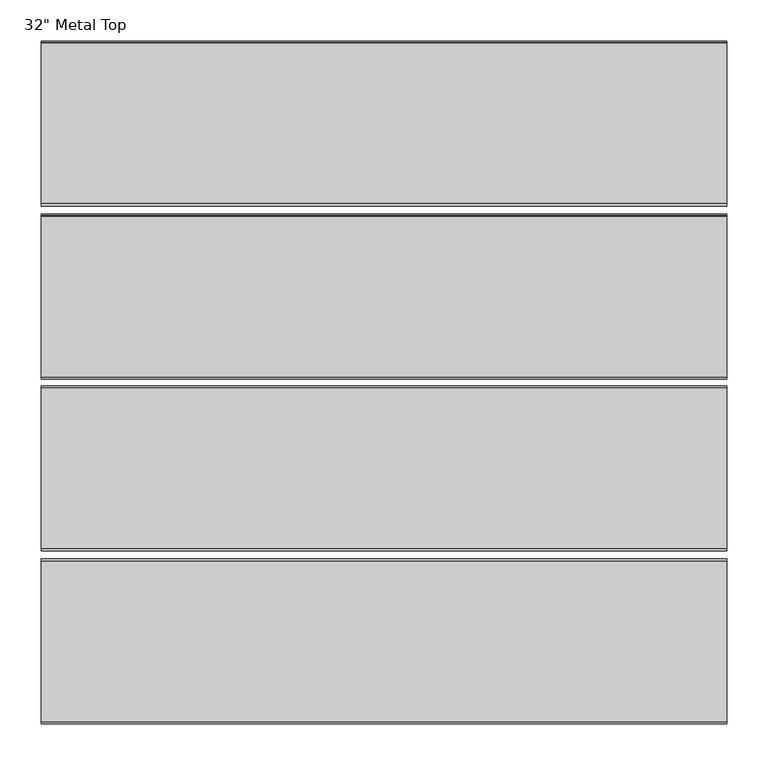
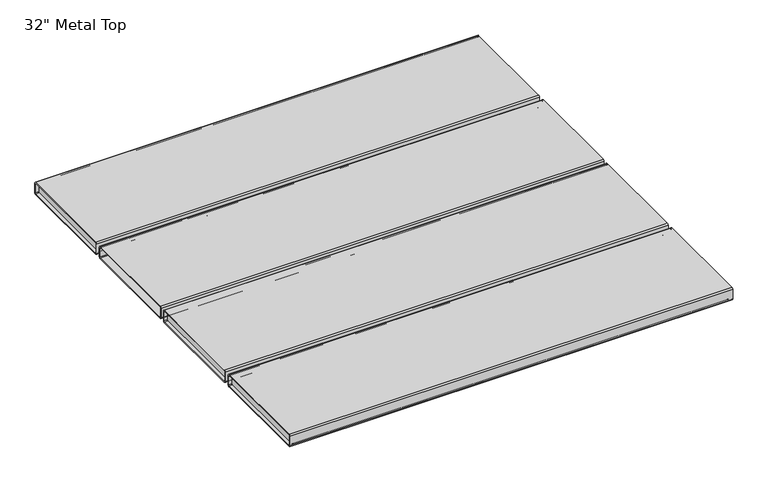
"""IFC4 building model written with IfcOpenShell, lengths in millimetres: furniture geometry."""

from ifc_helpers import new_model, si_unit, frame, origin, place, context, project, spatial, polyline, circle_curve, source, transform, mapped, element, save
from ifc_brep_helpers import plane_surface, cylinder_surface, revolved_surface, advanced_brep


def furniture_417f175c(model_context):
    return source(origin(), model_context, "Body", "AdvancedBrep", [
        advanced_brep(
        [(416.6856771, -411.5406702, 696.05), (416.6856771, -409.0406702, 693.55), (416.6856771, -214.0406702, 693.55), (416.6856771, -211.5406702, 696.05), (416.6856771, -211.5406702, 715.05), (416.6856771, -214.0406702, 717.55), (416.6856771, -409.0406702, 717.55), (416.6856771, -411.5406702, 715.05), (416.6856771, -408.0406702, 695.675), (416.6856771, -409.4156702, 697.05), (416.6856771, -409.4413385, 714.0607445), (416.6856771, -408.0406702, 715.425), (416.6856771, -215.0404873, 715.425), (416.6856771, -213.6656702, 714.05), (416.6856771, -213.6656702, 697.05), (416.6856771, -215.0404873, 695.675), (-415.1643229, -411.5406702, 696.05), (-415.1643229, -411.5406702, 715.05), (-415.1643229, -409.0406702, 717.55), (-415.1643229, -214.0406702, 717.55), (-415.1643229, -211.5406702, 715.05), (-415.1643229, -211.5406702, 696.05), (-415.1643229, -214.0406702, 693.55), (-415.1643229, -409.0406702, 693.55), (-415.1643229, -408.0514147, 695.6493317), (-415.1643229, -215.0404873, 695.675), (-415.1643229, -213.6656702, 697.05), (-415.1643229, -213.6400019, 714.0607445), (-415.1643229, -215.0404873, 715.425), (-415.1643229, -408.0514147, 715.4506683), (-415.1643229, -409.4156702, 714.05), (-415.1643229, -409.4156702, 697.05)],
        [
            (0, 1, circle_curve(frame((416.6856771, -409.0406702, 696.05), z_axis=(1.0, 0.0, 0.0), x_axis=(0.0, 1.0, 0.0)), 2.5)),
            (1, 2),
            (2, 3, circle_curve(frame((416.6856771, -214.0406702, 696.05), z_axis=(1.0, 0.0, 0.0), x_axis=(0.0, 1.0, 0.0)), 2.5)),
            (3, 4),
            (4, 5, circle_curve(frame((416.6856771, -214.0406702, 715.05), z_axis=(1.0, 0.0, 0.0), x_axis=(0.0, 1.0, 0.0)), 2.5)),
            (5, 6),
            (6, 7, circle_curve(frame((416.6856771, -409.0406702, 715.05), z_axis=(1.0, 0.0, 0.0), x_axis=(0.0, 1.0, 0.0)), 2.5)),
            (7, 0),
            (8, 9, circle_curve(frame((416.6856771, -408.0406702, 697.05), z_axis=(-1.0, 0.0, 0.0), x_axis=(0.0, 1.0, 0.0)), 1.375)),
            (9, 10),
            (10, 11, circle_curve(frame((416.6856771, -408.0406702, 714.05), z_axis=(-1.0, 0.0, 0.0), x_axis=(0.0, 1.0, 0.0)), 1.375)),
            (11, 12),
            (12, 13, circle_curve(frame((416.6856771, -215.0406702, 714.05), z_axis=(-1.0, 0.0, 0.0), x_axis=(0.0, 1.0, 0.0)), 1.375)),
            (13, 14),
            (14, 15, circle_curve(frame((416.6856771, -215.0406702, 697.05), z_axis=(-1.0, 0.0, 0.0), x_axis=(0.0, 1.0, 0.0)), 1.375)),
            (15, 8),
            (16, 17),
            (17, 18, circle_curve(frame((-415.1643229, -409.0406702, 715.05), z_axis=(-1.0, 0.0, 0.0), x_axis=(0.0, 1.0, 0.0)), 2.5)),
            (18, 19),
            (19, 20, circle_curve(frame((-415.1643229, -214.0406702, 715.05), z_axis=(-1.0, 0.0, 0.0), x_axis=(0.0, 1.0, 0.0)), 2.5)),
            (20, 21),
            (21, 22, circle_curve(frame((-415.1643229, -214.0406702, 696.05), z_axis=(-1.0, 0.0, 0.0), x_axis=(0.0, 1.0, 0.0)), 2.5)),
            (22, 23),
            (23, 16, circle_curve(frame((-415.1643229, -409.0406702, 696.05), z_axis=(-1.0, 0.0, 0.0), x_axis=(0.0, 1.0, 0.0)), 2.5)),
            (24, 25),
            (25, 26, circle_curve(frame((-415.1643229, -215.0406702, 697.05), z_axis=(1.0, 0.0, 0.0), x_axis=(0.0, 1.0, 0.0)), 1.375)),
            (26, 27),
            (27, 28, circle_curve(frame((-415.1643229, -215.0406702, 714.05), z_axis=(1.0, 0.0, 0.0), x_axis=(0.0, 1.0, 0.0)), 1.375)),
            (28, 29),
            (29, 30, circle_curve(frame((-415.1643229, -408.0406702, 714.05), z_axis=(1.0, 0.0, 0.0), x_axis=(0.0, 1.0, 0.0)), 1.375)),
            (30, 31),
            (31, 24, circle_curve(frame((-415.1643229, -408.0406702, 697.05), z_axis=(1.0, 0.0, 0.0), x_axis=(0.0, 1.0, 0.0)), 1.375)),
            (0, 16),
            (23, 1),
            (22, 2),
            (21, 3),
            (20, 4),
            (19, 5),
            (18, 6),
            (17, 7),
            (8, 24),
            (31, 9),
            (30, 10),
            (29, 11),
            (28, 12),
            (27, 13),
            (26, 14),
            (25, 15),
        ],
        [
            plane_surface(frame((416.6856771, -406.5406702, 696.05), z_axis=(1.0, 0.0, 0.0), x_axis=(0.0, 0.0, 1.0))),
            plane_surface(frame((-415.1643229, -406.5406702, 696.05), z_axis=(-1.0, 0.0, 0.0), x_axis=(0.0, 0.0, -1.0))),
            cylinder_surface(frame((-415.1643229, -409.0406702, 696.05), z_axis=(1.0, 0.0, 0.0), x_axis=(0.0, 1.0, 0.0)), 2.5),
            plane_surface(frame((416.6856771, -409.0406702, 693.55), z_axis=(0.0, 0.0, -1.0), x_axis=(-1.0, 0.0, 0.0))),
            cylinder_surface(frame((-415.1643229, -214.0406702, 696.05), z_axis=(1.0, 0.0, 0.0), x_axis=(0.0, 1.0, 0.0)), 2.5),
            plane_surface(frame((416.6856771, -211.5406702, 696.05), z_axis=(0.0, 1.0, 0.0), x_axis=(-1.0, 0.0, 0.0))),
            cylinder_surface(frame((-415.1643229, -214.0406702, 715.05), z_axis=(1.0, 0.0, 0.0), x_axis=(0.0, 1.0, 0.0)), 2.5),
            plane_surface(frame((416.6856771, -214.0406702, 717.55), z_axis=(0.0, 5.2088685501275944e-11, 1.0), x_axis=(-1.0, 0.0, 0.0))),
            cylinder_surface(frame((-415.1643229, -409.0406702, 715.05), z_axis=(1.0, 0.0, 0.0), x_axis=(0.0, 1.0, 0.0)), 2.5),
            plane_surface(frame((416.6856771, -411.5406702, 715.05), z_axis=(0.0, -1.0, 0.0), x_axis=(-1.0, 0.0, 0.0))),
            revolved_surface(polyline([(-415.1643229, -406.6656702, 697.05), (416.6856771, -406.6656702, 697.05)]), (0.7606771, -408.0406702, 697.05), (-1.0, 0.0, 0.0)),
            plane_surface(frame((416.6856771, -409.4156702, 697.05), z_axis=(0.0, 0.999998861542908, 0.0015089442958824899), x_axis=(-1.0, 0.0, 0.0))),
            revolved_surface(polyline([(-415.1643229, -406.6656702, 714.05), (416.6856771, -406.6656702, 714.05)]), (0.7606771, -408.0406702, 714.05), (-1.0, 0.0, 0.0)),
            plane_surface(frame((416.6856771, -408.0514147, 715.4506683), z_axis=(0.0, -0.0001329889956081423, -0.9999999911569635), x_axis=(-1.0, 0.0, 0.0))),
            revolved_surface(polyline([(-415.1643229, -213.6656702, 714.05), (416.6856771, -213.6656702, 714.05)]), (0.7606771, -215.0406702, 714.05), (-1.0, 0.0, 0.0)),
            plane_surface(frame((416.6856771, -213.6400019, 714.0607445), z_axis=(0.0, -0.999998861542908, 0.0015089442958825035), x_axis=(-1.0, 0.0, 0.0))),
            revolved_surface(polyline([(-415.1643229, -213.6656702, 697.05), (416.6856771, -213.6656702, 697.05)]), (0.7606771, -215.0406702, 697.05), (-1.0, 0.0, 0.0)),
            plane_surface(frame((416.6856771, -215.0404873, 695.675), z_axis=(0.0, -0.0001329888799738041, 0.9999999911569789), x_axis=(-1.0, 0.0, 0.0))),
        ],
        [
            (0, [[1, 2, 3, 4, 5, 6, 7, 8], [9, 10, 11, 12, 13, 14, 15, 16]]),
            (1, [[17, 18, 19, 20, 21, 22, 23, 24], [25, 26, 27, 28, 29, 30, 31, 32]]),
            (2, [[-1, 33, -24, 34]]),
            (3, [[-2, -34, -23, 35]]),
            (4, [[-3, -35, -22, 36]]),
            (5, [[-4, -36, -21, 37]]),
            (6, [[-5, -37, -20, 38]]),
            (7, [[-6, -38, -19, 39]]),
            (8, [[-7, -39, -18, 40]]),
            (9, [[-8, -40, -17, -33]]),
            (10, [[-9, 41, -32, 42]]),
            (11, [[-10, -42, -31, 43]]),
            (12, [[-11, -43, -30, 44]]),
            (13, [[-12, -44, -29, 45]]),
            (14, [[-13, -45, -28, 46]]),
            (15, [[-14, -46, -27, 47]]),
            (16, [[-15, -47, -26, 48]]),
            (17, [[-16, -48, -25, -41]]),
        ],
    ),
        advanced_brep(
        [(410.3356771, -422.4343298, 714.05), (410.3356771, -423.8093298, 715.425), (410.3356771, -616.8095127, 715.425), (410.3356771, -618.1843298, 714.05), (410.3356771, -618.1843298, 697.05), (410.3356771, -616.8095127, 695.675), (410.3356771, -423.7985853, 695.6493317), (410.3356771, -422.4343298, 697.05), (-408.8143229, -422.4086615, 714.0607445), (-408.8143229, -422.4343298, 697.05), (-408.8143229, -423.8093298, 695.675), (-408.8143229, -616.8095127, 695.675), (-408.8143229, -618.1843298, 697.05), (-408.8143229, -618.2099981, 714.0607445), (-408.8143229, -616.8095127, 715.425), (-408.8143229, -423.7985853, 715.4506683)],
        [
            (0, 1, circle_curve(frame((410.3356771, -423.8093298, 714.05), z_axis=(1.0, 0.0, 0.0), x_axis=(0.0, -1.0, 0.0)), 1.375)),
            (1, 2),
            (2, 3, circle_curve(frame((410.3356771, -616.8093298, 714.05), z_axis=(1.0, 0.0, 0.0), x_axis=(0.0, -1.0, 0.0)), 1.375)),
            (3, 4),
            (4, 5, circle_curve(frame((410.3356771, -616.8093298, 697.05), z_axis=(1.0, 0.0, 0.0), x_axis=(0.0, -1.0, 0.0)), 1.375)),
            (5, 6),
            (6, 7, circle_curve(frame((410.3356771, -423.8093298, 697.05), z_axis=(1.0, 0.0, 0.0), x_axis=(0.0, -1.0, 0.0)), 1.375)),
            (7, 0),
            (8, 9),
            (9, 10, circle_curve(frame((-408.8143229, -423.8093298, 697.05), z_axis=(-1.0, 0.0, 0.0), x_axis=(0.0, -1.0, 0.0)), 1.375)),
            (10, 11),
            (11, 12, circle_curve(frame((-408.8143229, -616.8093298, 697.05), z_axis=(-1.0, 0.0, 0.0), x_axis=(0.0, -1.0, 0.0)), 1.375)),
            (12, 13),
            (13, 14, circle_curve(frame((-408.8143229, -616.8093298, 714.05), z_axis=(-1.0, 0.0, 0.0), x_axis=(0.0, -1.0, 0.0)), 1.375)),
            (14, 15),
            (15, 8, circle_curve(frame((-408.8143229, -423.8093298, 714.05), z_axis=(-1.0, 0.0, 0.0), x_axis=(0.0, -1.0, 0.0)), 1.375)),
            (7, 9),
            (8, 0),
            (6, 10),
            (5, 11),
            (4, 12),
            (3, 13),
            (2, 14),
            (1, 15),
        ],
        [
            plane_surface(frame((410.3356771, -425.1843298, 714.05), z_axis=(1.0, 0.0, 0.0), x_axis=(0.0, 0.0, -1.0))),
            plane_surface(frame((-408.8143229, -425.1843298, 714.05), z_axis=(-1.0, 0.0, 0.0), x_axis=(0.0, 0.0, 1.0))),
            plane_surface(frame((410.3356771, -422.4343298, 697.05), z_axis=(0.0, 0.999998861542908, -0.0015089442958824658), x_axis=(-1.0, 0.0, 0.0))),
            cylinder_surface(frame((-408.8143229, -423.8093298, 697.05), z_axis=(1.0, 0.0, 0.0), x_axis=(0.0, -1.0, 0.0)), 1.375),
            plane_surface(frame((410.3356771, -616.8095127, 695.675), z_axis=(0.0, -0.00013298887997386375, -0.9999999911569789), x_axis=(-1.0, 0.0, 0.0))),
            cylinder_surface(frame((-408.8143229, -616.8093298, 697.05), z_axis=(1.0, 0.0, 0.0), x_axis=(0.0, -1.0, 0.0)), 1.375),
            plane_surface(frame((410.3356771, -618.2099981, 714.0607445), z_axis=(0.0, -0.999998861542908, -0.0015089442958825018), x_axis=(-1.0, 0.0, 0.0))),
            cylinder_surface(frame((-408.8143229, -616.8093298, 714.05), z_axis=(1.0, 0.0, 0.0), x_axis=(0.0, -1.0, 0.0)), 1.375),
            plane_surface(frame((410.3356771, -423.7985853, 715.4506683), z_axis=(0.0, -0.00013298899560815783, 0.9999999911569636), x_axis=(-1.0, 0.0, 0.0))),
            cylinder_surface(frame((-408.8143229, -423.8093298, 714.05), z_axis=(1.0, 0.0, 0.0), x_axis=(0.0, -1.0, 0.0)), 1.375),
        ],
        [
            (0, [[1, 2, 3, 4, 5, 6, 7, 8]]),
            (1, [[9, 10, 11, 12, 13, 14, 15, 16]]),
            (2, [[-8, 17, -9, 18]]),
            (3, [[-7, 19, -10, -17]]),
            (4, [[-6, 20, -11, -19]]),
            (5, [[-5, 21, -12, -20]]),
            (6, [[-4, 22, -13, -21]]),
            (7, [[-3, 23, -14, -22]]),
            (8, [[-2, 24, -15, -23]]),
            (9, [[-1, -18, -16, -24]]),
        ],
    ),
        advanced_brep(
        [(416.6856771, -420.3093298, 696.05), (416.6856771, -420.3093298, 715.05), (416.6856771, -422.8093298, 717.55), (416.6856771, -617.8093298, 717.55), (416.6856771, -620.3093298, 715.05), (416.6856771, -620.3093298, 696.05), (416.6856771, -617.8093298, 693.55), (416.6856771, -422.8093298, 693.55), (416.6856771, -423.7985853, 695.6493317), (416.6856771, -616.8095127, 695.675), (416.6856771, -618.1843298, 697.05), (416.6856771, -618.2099981, 714.0607445), (416.6856771, -616.8095127, 715.425), (416.6856771, -423.7985853, 715.4506683), (416.6856771, -422.4343298, 714.05), (416.6856771, -422.4343298, 697.05), (-415.1643229, -420.3093298, 696.05), (-415.1643229, -422.8093298, 693.55), (-415.1643229, -617.8093298, 693.55), (-415.1643229, -620.3093298, 696.05), (-415.1643229, -620.3093298, 715.05), (-415.1643229, -617.8093298, 717.55), (-415.1643229, -422.8093298, 717.55), (-415.1643229, -420.3093298, 715.05), (-415.1643229, -423.8093298, 695.675), (-415.1643229, -422.4343298, 697.05), (-415.1643229, -422.4086615, 714.0607445), (-415.1643229, -423.8093298, 715.425), (-415.1643229, -616.8095127, 715.425), (-415.1643229, -618.1843298, 714.05), (-415.1643229, -618.1843298, 697.05), (-415.1643229, -616.8095127, 695.675)],
        [
            (0, 1),
            (1, 2, circle_curve(frame((416.6856771, -422.8093298, 715.05), z_axis=(1.0, 0.0, 0.0), x_axis=(0.0, -1.0, 0.0)), 2.5)),
            (2, 3),
            (3, 4, circle_curve(frame((416.6856771, -617.8093298, 715.05), z_axis=(1.0, 0.0, 0.0), x_axis=(0.0, -1.0, 0.0)), 2.5)),
            (4, 5),
            (5, 6, circle_curve(frame((416.6856771, -617.8093298, 696.05), z_axis=(1.0, 0.0, 0.0), x_axis=(0.0, -1.0, 0.0)), 2.5)),
            (6, 7),
            (7, 0, circle_curve(frame((416.6856771, -422.8093298, 696.05), z_axis=(1.0, 0.0, 0.0), x_axis=(0.0, -1.0, 0.0)), 2.5)),
            (8, 9),
            (9, 10, circle_curve(frame((416.6856771, -616.8093298, 697.05), z_axis=(-1.0, 0.0, 0.0), x_axis=(0.0, -1.0, 0.0)), 1.375)),
            (10, 11),
            (11, 12, circle_curve(frame((416.6856771, -616.8093298, 714.05), z_axis=(-1.0, 0.0, 0.0), x_axis=(0.0, -1.0, 0.0)), 1.375)),
            (12, 13),
            (13, 14, circle_curve(frame((416.6856771, -423.8093298, 714.05), z_axis=(-1.0, 0.0, 0.0), x_axis=(0.0, -1.0, 0.0)), 1.375)),
            (14, 15),
            (15, 8, circle_curve(frame((416.6856771, -423.8093298, 697.05), z_axis=(-1.0, 0.0, 0.0), x_axis=(0.0, -1.0, 0.0)), 1.375)),
            (16, 17, circle_curve(frame((-415.1643229, -422.8093298, 696.05), z_axis=(-1.0, 0.0, 0.0), x_axis=(0.0, -1.0, 0.0)), 2.5)),
            (17, 18),
            (18, 19, circle_curve(frame((-415.1643229, -617.8093298, 696.05), z_axis=(-1.0, 0.0, 0.0), x_axis=(0.0, -1.0, 0.0)), 2.5)),
            (19, 20),
            (20, 21, circle_curve(frame((-415.1643229, -617.8093298, 715.05), z_axis=(-1.0, 0.0, 0.0), x_axis=(0.0, -1.0, 0.0)), 2.5)),
            (21, 22),
            (22, 23, circle_curve(frame((-415.1643229, -422.8093298, 715.05), z_axis=(-1.0, 0.0, 0.0), x_axis=(0.0, -1.0, 0.0)), 2.5)),
            (23, 16),
            (24, 25, circle_curve(frame((-415.1643229, -423.8093298, 697.05), z_axis=(1.0, 0.0, 0.0), x_axis=(0.0, -1.0, 0.0)), 1.375)),
            (25, 26),
            (26, 27, circle_curve(frame((-415.1643229, -423.8093298, 714.05), z_axis=(1.0, 0.0, 0.0), x_axis=(0.0, -1.0, 0.0)), 1.375)),
            (27, 28),
            (28, 29, circle_curve(frame((-415.1643229, -616.8093298, 714.05), z_axis=(1.0, 0.0, 0.0), x_axis=(0.0, -1.0, 0.0)), 1.375)),
            (29, 30),
            (30, 31, circle_curve(frame((-415.1643229, -616.8093298, 697.05), z_axis=(1.0, 0.0, 0.0), x_axis=(0.0, -1.0, 0.0)), 1.375)),
            (31, 24),
            (7, 17),
            (16, 0),
            (6, 18),
            (5, 19),
            (4, 20),
            (3, 21),
            (2, 22),
            (1, 23),
            (15, 25),
            (24, 8),
            (14, 26),
            (13, 27),
            (12, 28),
            (11, 29),
            (10, 30),
            (9, 31),
        ],
        [
            plane_surface(frame((416.6856771, -420.3093298, 715.05), z_axis=(1.0, 0.0, 0.0), x_axis=(0.0, 0.0, 1.0))),
            plane_surface(frame((-415.1643229, -420.3093298, 715.05), z_axis=(-1.0, 0.0, 0.0), x_axis=(0.0, 0.0, -1.0))),
            cylinder_surface(frame((-415.1643229, -422.8093298, 696.05), z_axis=(1.0, 0.0, 0.0), x_axis=(0.0, -1.0, 0.0)), 2.5),
            plane_surface(frame((416.6856771, -617.8093298, 693.55), z_axis=(0.0, 0.0, -1.0), x_axis=(-1.0, 0.0, 0.0))),
            cylinder_surface(frame((-415.1643229, -617.8093298, 696.05), z_axis=(1.0, 0.0, 0.0), x_axis=(0.0, -1.0, 0.0)), 2.5),
            plane_surface(frame((416.6856771, -620.3093298, 715.05), z_axis=(0.0, -1.0, 0.0), x_axis=(-1.0, 0.0, 0.0))),
            cylinder_surface(frame((-415.1643229, -617.8093298, 715.05), z_axis=(1.0, 0.0, 0.0), x_axis=(0.0, -1.0, 0.0)), 2.5),
            plane_surface(frame((416.6856771, -422.8093298, 717.55), z_axis=(0.0, -5.2088685501275944e-11, 1.0), x_axis=(-1.0, 0.0, 0.0))),
            cylinder_surface(frame((-415.1643229, -422.8093298, 715.05), z_axis=(1.0, 0.0, 0.0), x_axis=(0.0, -1.0, 0.0)), 2.5),
            plane_surface(frame((416.6856771, -420.3093298, 696.05), z_axis=(0.0, 1.0, 0.0), x_axis=(-1.0, 0.0, 0.0))),
            revolved_surface(polyline([(-415.1643229, -425.1843298, 697.05), (416.6856771, -425.1843298, 697.05)]), (0.7606771, -423.8093298, 697.05), (-1.0, 0.0, 0.0)),
            plane_surface(frame((416.6856771, -422.4086615, 714.0607445), z_axis=(0.0, -0.999998861542908, 0.0015089442958824899), x_axis=(-1.0, 0.0, 0.0))),
            revolved_surface(polyline([(-415.1643229, -425.1843298, 714.05), (416.6856771, -425.1843298, 714.05)]), (0.7606771, -423.8093298, 714.05), (-1.0, 0.0, 0.0)),
            plane_surface(frame((416.6856771, -616.8095127, 715.425), z_axis=(0.0, 0.0001329889956081423, -0.9999999911569635), x_axis=(-1.0, 0.0, 0.0))),
            revolved_surface(polyline([(-415.1643229, -618.1843298, 714.05), (416.6856771, -618.1843298, 714.05)]), (0.7606771, -616.8093298, 714.05), (-1.0, 0.0, 0.0)),
            plane_surface(frame((416.6856771, -618.1843298, 697.05), z_axis=(0.0, 0.999998861542908, 0.0015089442958825035), x_axis=(-1.0, 0.0, 0.0))),
            revolved_surface(polyline([(-415.1643229, -618.1843298, 697.05), (416.6856771, -618.1843298, 697.05)]), (0.7606771, -616.8093298, 697.05), (-1.0, 0.0, 0.0)),
            plane_surface(frame((416.6856771, -423.7985853, 695.6493317), z_axis=(0.0, 0.00013298887997380406, 0.9999999911569789), x_axis=(-1.0, 0.0, 0.0))),
        ],
        [
            (0, [[1, 2, 3, 4, 5, 6, 7, 8], [9, 10, 11, 12, 13, 14, 15, 16]]),
            (1, [[17, 18, 19, 20, 21, 22, 23, 24], [25, 26, 27, 28, 29, 30, 31, 32]]),
            (2, [[-8, 33, -17, 34]]),
            (3, [[-7, 35, -18, -33]]),
            (4, [[-6, 36, -19, -35]]),
            (5, [[-5, 37, -20, -36]]),
            (6, [[-4, 38, -21, -37]]),
            (7, [[-3, 39, -22, -38]]),
            (8, [[-2, 40, -23, -39]]),
            (9, [[-1, -34, -24, -40]]),
            (10, [[-16, 41, -25, 42]]),
            (11, [[-15, 43, -26, -41]]),
            (12, [[-14, 44, -27, -43]]),
            (13, [[-13, 45, -28, -44]]),
            (14, [[-12, 46, -29, -45]]),
            (15, [[-11, 47, -30, -46]]),
            (16, [[-10, 48, -31, -47]]),
            (17, [[-9, -42, -32, -48]]),
        ],
    ),
        advanced_brep(
        [(410.3356771, -3.7125, 714.05), (410.3356771, -5.0875, 715.425), (410.3356771, -198.0876829, 715.425), (410.3356771, -199.4625, 714.05), (410.3356771, -199.4625, 697.05), (410.3356771, -198.0876829, 695.675), (410.3356771, -5.0767555, 695.6493317), (410.3356771, -3.7125, 697.05), (-408.8143229, -3.6868317, 714.0607445), (-408.8143229, -3.7125, 697.05), (-408.8143229, -5.0875, 695.675), (-408.8143229, -198.0876829, 695.675), (-408.8143229, -199.4625, 697.05), (-408.8143229, -199.4881683, 714.0607445), (-408.8143229, -198.0876829, 715.425), (-408.8143229, -5.0767555, 715.4506683)],
        [
            (0, 1, circle_curve(frame((410.3356771, -5.0875, 714.05), z_axis=(1.0, 0.0, 0.0), x_axis=(0.0, -1.0, 0.0)), 1.375)),
            (1, 2),
            (2, 3, circle_curve(frame((410.3356771, -198.0875, 714.05), z_axis=(1.0, 0.0, 0.0), x_axis=(0.0, -1.0, 0.0)), 1.375)),
            (3, 4),
            (4, 5, circle_curve(frame((410.3356771, -198.0875, 697.05), z_axis=(1.0, 0.0, 0.0), x_axis=(0.0, -1.0, 0.0)), 1.375)),
            (5, 6),
            (6, 7, circle_curve(frame((410.3356771, -5.0875, 697.05), z_axis=(1.0, 0.0, 0.0), x_axis=(0.0, -1.0, 0.0)), 1.375)),
            (7, 0),
            (8, 9),
            (9, 10, circle_curve(frame((-408.8143229, -5.0875, 697.05), z_axis=(-1.0, 0.0, 0.0), x_axis=(0.0, -1.0, 0.0)), 1.375)),
            (10, 11),
            (11, 12, circle_curve(frame((-408.8143229, -198.0875, 697.05), z_axis=(-1.0, 0.0, 0.0), x_axis=(0.0, -1.0, 0.0)), 1.375)),
            (12, 13),
            (13, 14, circle_curve(frame((-408.8143229, -198.0875, 714.05), z_axis=(-1.0, 0.0, 0.0), x_axis=(0.0, -1.0, 0.0)), 1.375)),
            (14, 15),
            (15, 8, circle_curve(frame((-408.8143229, -5.0875, 714.05), z_axis=(-1.0, 0.0, 0.0), x_axis=(0.0, -1.0, 0.0)), 1.375)),
            (7, 9),
            (8, 0),
            (6, 10),
            (5, 11),
            (4, 12),
            (3, 13),
            (2, 14),
            (1, 15),
        ],
        [
            plane_surface(frame((410.3356771, -6.4625, 714.05), z_axis=(1.0, 0.0, 0.0), x_axis=(0.0, 0.0, -1.0))),
            plane_surface(frame((-408.8143229, -6.4625, 714.05), z_axis=(-1.0, 0.0, 0.0), x_axis=(0.0, 0.0, 1.0))),
            plane_surface(frame((410.3356771, -3.7125, 697.05), z_axis=(0.0, 0.999998861542908, -0.0015089442958824658), x_axis=(-1.0, 0.0, 0.0))),
            cylinder_surface(frame((-408.8143229, -5.0875, 697.05), z_axis=(1.0, 0.0, 0.0), x_axis=(0.0, -1.0, 0.0)), 1.375),
            plane_surface(frame((410.3356771, -198.0876829, 695.675), z_axis=(0.0, -0.00013298887997386372, -0.9999999911569789), x_axis=(-1.0, 0.0, 0.0))),
            cylinder_surface(frame((-408.8143229, -198.0875, 697.05), z_axis=(1.0, 0.0, 0.0), x_axis=(0.0, -1.0, 0.0)), 1.375),
            plane_surface(frame((410.3356771, -199.4881683, 714.0607445), z_axis=(0.0, -0.999998861542908, -0.0015089442958825018), x_axis=(-1.0, 0.0, 0.0))),
            cylinder_surface(frame((-408.8143229, -198.0875, 714.05), z_axis=(1.0, 0.0, 0.0), x_axis=(0.0, -1.0, 0.0)), 1.375),
            plane_surface(frame((410.3356771, -5.0767555, 715.4506683), z_axis=(0.0, -0.00013298899560815783, 0.9999999911569636), x_axis=(-1.0, 0.0, 0.0))),
            cylinder_surface(frame((-408.8143229, -5.0875, 714.05), z_axis=(1.0, 0.0, 0.0), x_axis=(0.0, -1.0, 0.0)), 1.375),
        ],
        [
            (0, [[1, 2, 3, 4, 5, 6, 7, 8]]),
            (1, [[9, 10, 11, 12, 13, 14, 15, 16]]),
            (2, [[-8, 17, -9, 18]]),
            (3, [[-7, 19, -10, -17]]),
            (4, [[-6, 20, -11, -19]]),
            (5, [[-5, 21, -12, -20]]),
            (6, [[-4, 22, -13, -21]]),
            (7, [[-3, 23, -14, -22]]),
            (8, [[-2, 24, -15, -23]]),
            (9, [[-1, -18, -16, -24]]),
        ],
    ),
        advanced_brep(
        [(416.6856771, -1.5875, 696.05), (416.6856771, -1.5875, 715.05), (416.6856771, -4.0875, 717.55), (416.6856771, -199.0875, 717.55), (416.6856771, -201.5875, 715.05), (416.6856771, -201.5875, 696.05), (416.6856771, -199.0875, 693.55), (416.6856771, -4.0875, 693.55), (416.6856771, -5.0767555, 695.6493317), (416.6856771, -198.0876829, 695.675), (416.6856771, -199.4625, 697.05), (416.6856771, -199.4881683, 714.0607445), (416.6856771, -198.0876829, 715.425), (416.6856771, -5.0767555, 715.4506683), (416.6856771, -3.7125, 714.05), (416.6856771, -3.7125, 697.05), (-415.1643229, -1.5875, 696.05), (-415.1643229, -4.0875, 693.55), (-415.1643229, -199.0875, 693.55), (-415.1643229, -201.5875, 696.05), (-415.1643229, -201.5875, 715.05), (-415.1643229, -199.0875, 717.55), (-415.1643229, -4.0875, 717.55), (-415.1643229, -1.5875, 715.05), (-415.1643229, -5.0875, 695.675), (-415.1643229, -3.7125, 697.05), (-415.1643229, -3.6868317, 714.0607445), (-415.1643229, -5.0875, 715.425), (-415.1643229, -198.0876829, 715.425), (-415.1643229, -199.4625, 714.05), (-415.1643229, -199.4625, 697.05), (-415.1643229, -198.0876829, 695.675)],
        [
            (0, 1),
            (1, 2, circle_curve(frame((416.6856771, -4.0875, 715.05), z_axis=(1.0, 0.0, 0.0), x_axis=(0.0, -1.0, 0.0)), 2.5)),
            (2, 3),
            (3, 4, circle_curve(frame((416.6856771, -199.0875, 715.05), z_axis=(1.0, 0.0, 0.0), x_axis=(0.0, -1.0, 0.0)), 2.5)),
            (4, 5),
            (5, 6, circle_curve(frame((416.6856771, -199.0875, 696.05), z_axis=(1.0, 0.0, 0.0), x_axis=(0.0, -1.0, 0.0)), 2.5)),
            (6, 7),
            (7, 0, circle_curve(frame((416.6856771, -4.0875, 696.05), z_axis=(1.0, 0.0, 0.0), x_axis=(0.0, -1.0, 0.0)), 2.5)),
            (8, 9),
            (9, 10, circle_curve(frame((416.6856771, -198.0875, 697.05), z_axis=(-1.0, 0.0, 0.0), x_axis=(0.0, -1.0, 0.0)), 1.375)),
            (10, 11),
            (11, 12, circle_curve(frame((416.6856771, -198.0875, 714.05), z_axis=(-1.0, 0.0, 0.0), x_axis=(0.0, -1.0, 0.0)), 1.375)),
            (12, 13),
            (13, 14, circle_curve(frame((416.6856771, -5.0875, 714.05), z_axis=(-1.0, 0.0, 0.0), x_axis=(0.0, -1.0, 0.0)), 1.375)),
            (14, 15),
            (15, 8, circle_curve(frame((416.6856771, -5.0875, 697.05), z_axis=(-1.0, 0.0, 0.0), x_axis=(0.0, -1.0, 0.0)), 1.375)),
            (16, 17, circle_curve(frame((-415.1643229, -4.0875, 696.05), z_axis=(-1.0, 0.0, 0.0), x_axis=(0.0, -1.0, 0.0)), 2.5)),
            (17, 18),
            (18, 19, circle_curve(frame((-415.1643229, -199.0875, 696.05), z_axis=(-1.0, 0.0, 0.0), x_axis=(0.0, -1.0, 0.0)), 2.5)),
            (19, 20),
            (20, 21, circle_curve(frame((-415.1643229, -199.0875, 715.05), z_axis=(-1.0, 0.0, 0.0), x_axis=(0.0, -1.0, 0.0)), 2.5)),
            (21, 22),
            (22, 23, circle_curve(frame((-415.1643229, -4.0875, 715.05), z_axis=(-1.0, 0.0, 0.0), x_axis=(0.0, -1.0, 0.0)), 2.5)),
            (23, 16),
            (24, 25, circle_curve(frame((-415.1643229, -5.0875, 697.05), z_axis=(1.0, 0.0, 0.0), x_axis=(0.0, -1.0, 0.0)), 1.375)),
            (25, 26),
            (26, 27, circle_curve(frame((-415.1643229, -5.0875, 714.05), z_axis=(1.0, 0.0, 0.0), x_axis=(0.0, -1.0, 0.0)), 1.375)),
            (27, 28),
            (28, 29, circle_curve(frame((-415.1643229, -198.0875, 714.05), z_axis=(1.0, 0.0, 0.0), x_axis=(0.0, -1.0, 0.0)), 1.375)),
            (29, 30),
            (30, 31, circle_curve(frame((-415.1643229, -198.0875, 697.05), z_axis=(1.0, 0.0, 0.0), x_axis=(0.0, -1.0, 0.0)), 1.375)),
            (31, 24),
            (7, 17),
            (16, 0),
            (6, 18),
            (5, 19),
            (4, 20),
            (3, 21),
            (2, 22),
            (1, 23),
            (15, 25),
            (24, 8),
            (14, 26),
            (13, 27),
            (12, 28),
            (11, 29),
            (10, 30),
            (9, 31),
        ],
        [
            plane_surface(frame((416.6856771, -1.5875, 715.05), z_axis=(1.0, 0.0, 0.0), x_axis=(0.0, 0.0, 1.0))),
            plane_surface(frame((-415.1643229, -1.5875, 715.05), z_axis=(-1.0, 0.0, 0.0), x_axis=(0.0, 0.0, -1.0))),
            cylinder_surface(frame((-415.1643229, -4.0875, 696.05), z_axis=(1.0, 0.0, 0.0), x_axis=(0.0, -1.0, 0.0)), 2.5),
            plane_surface(frame((416.6856771, -199.0875, 693.55), z_axis=(0.0, 0.0, -1.0), x_axis=(-1.0, 0.0, 0.0))),
            cylinder_surface(frame((-415.1643229, -199.0875, 696.05), z_axis=(1.0, 0.0, 0.0), x_axis=(0.0, -1.0, 0.0)), 2.5),
            plane_surface(frame((416.6856771, -201.5875, 715.05), z_axis=(0.0, -1.0, 0.0), x_axis=(-1.0, 0.0, 0.0))),
            cylinder_surface(frame((-415.1643229, -199.0875, 715.05), z_axis=(1.0, 0.0, 0.0), x_axis=(0.0, -1.0, 0.0)), 2.5),
            plane_surface(frame((416.6856771, -4.0875, 717.55), z_axis=(0.0, -5.2088685501275944e-11, 1.0), x_axis=(-1.0, 0.0, 0.0))),
            cylinder_surface(frame((-415.1643229, -4.0875, 715.05), z_axis=(1.0, 0.0, 0.0), x_axis=(0.0, -1.0, 0.0)), 2.5),
            plane_surface(frame((416.6856771, -1.5875, 696.05), z_axis=(0.0, 1.0, 0.0), x_axis=(-1.0, 0.0, 0.0))),
            revolved_surface(polyline([(-415.1643229, -6.4625, 697.05), (416.6856771, -6.4625, 697.05)]), (0.7606771, -5.0875, 697.05), (-1.0, 0.0, 0.0)),
            plane_surface(frame((416.6856771, -3.6868317, 714.0607445), z_axis=(0.0, -0.999998861542908, 0.0015089442958824899), x_axis=(-1.0, 0.0, 0.0))),
            revolved_surface(polyline([(-415.1643229, -6.4625, 714.05), (416.6856771, -6.4625, 714.05)]), (0.7606771, -5.0875, 714.05), (-1.0, 0.0, 0.0)),
            plane_surface(frame((416.6856771, -198.0876829, 715.425), z_axis=(0.0, 0.0001329889956081423, -0.9999999911569635), x_axis=(-1.0, 0.0, 0.0))),
            revolved_surface(polyline([(-415.1643229, -199.4625, 714.05), (416.6856771, -199.4625, 714.05)]), (0.7606771, -198.0875, 714.05), (-1.0, 0.0, 0.0)),
            plane_surface(frame((416.6856771, -199.4625, 697.05), z_axis=(0.0, 0.999998861542908, 0.0015089442958825035), x_axis=(-1.0, 0.0, 0.0))),
            revolved_surface(polyline([(-415.1643229, -199.4625, 697.05), (416.6856771, -199.4625, 697.05)]), (0.7606771, -198.0875, 697.05), (-1.0, 0.0, 0.0)),
            plane_surface(frame((416.6856771, -5.0767555, 695.6493317), z_axis=(0.0, 0.0001329888799738041, 0.9999999911569789), x_axis=(-1.0, 0.0, 0.0))),
        ],
        [
            (0, [[1, 2, 3, 4, 5, 6, 7, 8], [9, 10, 11, 12, 13, 14, 15, 16]]),
            (1, [[17, 18, 19, 20, 21, 22, 23, 24], [25, 26, 27, 28, 29, 30, 31, 32]]),
            (2, [[-8, 33, -17, 34]]),
            (3, [[-7, 35, -18, -33]]),
            (4, [[-6, 36, -19, -35]]),
            (5, [[-5, 37, -20, -36]]),
            (6, [[-4, 38, -21, -37]]),
            (7, [[-3, 39, -22, -38]]),
            (8, [[-2, 40, -23, -39]]),
            (9, [[-1, -34, -24, -40]]),
            (10, [[-16, 41, -25, 42]]),
            (11, [[-15, 43, -26, -41]]),
            (12, [[-14, 44, -27, -43]]),
            (13, [[-13, 45, -28, -44]]),
            (14, [[-12, 46, -29, -45]]),
            (15, [[-11, 47, -30, -46]]),
            (16, [[-10, 48, -31, -47]]),
            (17, [[-9, -42, -32, -48]]),
        ],
    ),
        advanced_brep(
        [(410.3356771, -828.1631683, 714.0607445), (410.3356771, -828.1375, 697.05), (410.3356771, -826.7625, 695.675), (410.3356771, -633.7623171, 695.675), (410.3356771, -632.3875, 697.05), (410.3356771, -632.3618317, 714.0607445), (410.3356771, -633.7623171, 715.425), (410.3356771, -826.7732445, 715.4506683), (-408.8143229, -828.1375, 714.05), (-408.8143229, -826.7625, 715.425), (-408.8143229, -633.7623171, 715.425), (-408.8143229, -632.3875, 714.05), (-408.8143229, -632.3875, 697.05), (-408.8143229, -633.7623171, 695.675), (-408.8143229, -826.7732445, 695.6493317), (-408.8143229, -828.1375, 697.05)],
        [
            (0, 1),
            (1, 2, circle_curve(frame((410.3356771, -826.7625, 697.05), z_axis=(1.0, 0.0, 0.0), x_axis=(0.0, 1.0, 0.0)), 1.375)),
            (2, 3),
            (3, 4, circle_curve(frame((410.3356771, -633.7625, 697.05), z_axis=(1.0, 0.0, 0.0), x_axis=(0.0, 1.0, 0.0)), 1.375)),
            (4, 5),
            (5, 6, circle_curve(frame((410.3356771, -633.7625, 714.05), z_axis=(1.0, 0.0, 0.0), x_axis=(0.0, 1.0, 0.0)), 1.375)),
            (6, 7),
            (7, 0, circle_curve(frame((410.3356771, -826.7625, 714.05), z_axis=(1.0, 0.0, 0.0), x_axis=(0.0, 1.0, 0.0)), 1.375)),
            (8, 9, circle_curve(frame((-408.8143229, -826.7625, 714.05), z_axis=(-1.0, 0.0, 0.0), x_axis=(0.0, 1.0, 0.0)), 1.375)),
            (9, 10),
            (10, 11, circle_curve(frame((-408.8143229, -633.7625, 714.05), z_axis=(-1.0, 0.0, 0.0), x_axis=(0.0, 1.0, 0.0)), 1.375)),
            (11, 12),
            (12, 13, circle_curve(frame((-408.8143229, -633.7625, 697.05), z_axis=(-1.0, 0.0, 0.0), x_axis=(0.0, 1.0, 0.0)), 1.375)),
            (13, 14),
            (14, 15, circle_curve(frame((-408.8143229, -826.7625, 697.05), z_axis=(-1.0, 0.0, 0.0), x_axis=(0.0, 1.0, 0.0)), 1.375)),
            (15, 8),
            (0, 8),
            (15, 1),
            (14, 2),
            (13, 3),
            (12, 4),
            (11, 5),
            (10, 6),
            (9, 7),
        ],
        [
            plane_surface(frame((410.3356771, -828.1375, 697.05), z_axis=(1.0, 0.0, 0.0), x_axis=(0.0, 0.0015089442958824658, -0.999998861542908))),
            plane_surface(frame((-408.8143229, -828.1375, 697.05), z_axis=(-1.0, 0.0, 0.0), x_axis=(0.0, -0.0015089442958824658, 0.999998861542908))),
            plane_surface(frame((410.3356771, -828.1631683, 714.0607445), z_axis=(0.0, -0.999998861542908, -0.0015089442958824658), x_axis=(-1.0, 0.0, 0.0))),
            cylinder_surface(frame((-408.8143229, -826.7625, 697.05), z_axis=(1.0, 0.0, 0.0), x_axis=(0.0, 1.0, 0.0)), 1.375),
            plane_surface(frame((410.3356771, -826.7732445, 695.6493317), z_axis=(0.0, 0.00013298887997386375, -0.9999999911569789), x_axis=(-1.0, 0.0, 0.0))),
            cylinder_surface(frame((-408.8143229, -633.7625, 697.05), z_axis=(1.0, 0.0, 0.0), x_axis=(0.0, 1.0, 0.0)), 1.375),
            plane_surface(frame((410.3356771, -632.3875, 697.05), z_axis=(0.0, 0.999998861542908, -0.0015089442958825018), x_axis=(-1.0, 0.0, 0.0))),
            cylinder_surface(frame((-408.8143229, -633.7625, 714.05), z_axis=(1.0, 0.0, 0.0), x_axis=(0.0, 1.0, 0.0)), 1.375),
            plane_surface(frame((410.3356771, -633.7623171, 715.425), z_axis=(0.0, 0.00013298899560815783, 0.9999999911569636), x_axis=(-1.0, 0.0, 0.0))),
            cylinder_surface(frame((-408.8143229, -826.7625, 714.05), z_axis=(1.0, 0.0, 0.0), x_axis=(0.0, 1.0, 0.0)), 1.375),
        ],
        [
            (0, [[1, 2, 3, 4, 5, 6, 7, 8]]),
            (1, [[9, 10, 11, 12, 13, 14, 15, 16]]),
            (2, [[-1, 17, -16, 18]]),
            (3, [[-2, -18, -15, 19]]),
            (4, [[-3, -19, -14, 20]]),
            (5, [[-4, -20, -13, 21]]),
            (6, [[-5, -21, -12, 22]]),
            (7, [[-6, -22, -11, 23]]),
            (8, [[-7, -23, -10, 24]]),
            (9, [[-8, -24, -9, -17]]),
        ],
    ),
        advanced_brep(
        [(416.6856771, -830.2625, 696.05), (416.6856771, -827.7625, 693.55), (416.6856771, -632.7625, 693.55), (416.6856771, -630.2625, 696.05), (416.6856771, -630.2625, 715.05), (416.6856771, -632.7625, 717.55), (416.6856771, -827.7625, 717.55), (416.6856771, -830.2625, 715.05), (416.6856771, -826.7625, 695.675), (416.6856771, -828.1375, 697.05), (416.6856771, -828.1631683, 714.0607445), (416.6856771, -826.7625, 715.425), (416.6856771, -633.7623171, 715.425), (416.6856771, -632.3875, 714.05), (416.6856771, -632.3875, 697.05), (416.6856771, -633.7623171, 695.675), (-415.1643229, -830.2625, 696.05), (-415.1643229, -830.2625, 715.05), (-415.1643229, -827.7625, 717.55), (-415.1643229, -632.7625, 717.55), (-415.1643229, -630.2625, 715.05), (-415.1643229, -630.2625, 696.05), (-415.1643229, -632.7625, 693.55), (-415.1643229, -827.7625, 693.55), (-415.1643229, -826.7732445, 695.6493317), (-415.1643229, -633.7623171, 695.675), (-415.1643229, -632.3875, 697.05), (-415.1643229, -632.3618317, 714.0607445), (-415.1643229, -633.7623171, 715.425), (-415.1643229, -826.7732445, 715.4506683), (-415.1643229, -828.1375, 714.05), (-415.1643229, -828.1375, 697.05)],
        [
            (0, 1, circle_curve(frame((416.6856771, -827.7625, 696.05), z_axis=(1.0, 0.0, 0.0), x_axis=(0.0, 1.0, 0.0)), 2.5)),
            (1, 2),
            (2, 3, circle_curve(frame((416.6856771, -632.7625, 696.05), z_axis=(1.0, 0.0, 0.0), x_axis=(0.0, 1.0, 0.0)), 2.5)),
            (3, 4),
            (4, 5, circle_curve(frame((416.6856771, -632.7625, 715.05), z_axis=(1.0, 0.0, 0.0), x_axis=(0.0, 1.0, 0.0)), 2.5)),
            (5, 6),
            (6, 7, circle_curve(frame((416.6856771, -827.7625, 715.05), z_axis=(1.0, 0.0, 0.0), x_axis=(0.0, 1.0, 0.0)), 2.5)),
            (7, 0),
            (8, 9, circle_curve(frame((416.6856771, -826.7625, 697.05), z_axis=(-1.0, 0.0, 0.0), x_axis=(0.0, 1.0, 0.0)), 1.375)),
            (9, 10),
            (10, 11, circle_curve(frame((416.6856771, -826.7625, 714.05), z_axis=(-1.0, 0.0, 0.0), x_axis=(0.0, 1.0, 0.0)), 1.375)),
            (11, 12),
            (12, 13, circle_curve(frame((416.6856771, -633.7625, 714.05), z_axis=(-1.0, 0.0, 0.0), x_axis=(0.0, 1.0, 0.0)), 1.375)),
            (13, 14),
            (14, 15, circle_curve(frame((416.6856771, -633.7625, 697.05), z_axis=(-1.0, 0.0, 0.0), x_axis=(0.0, 1.0, 0.0)), 1.375)),
            (15, 8),
            (16, 17),
            (17, 18, circle_curve(frame((-415.1643229, -827.7625, 715.05), z_axis=(-1.0, 0.0, 0.0), x_axis=(0.0, 1.0, 0.0)), 2.5)),
            (18, 19),
            (19, 20, circle_curve(frame((-415.1643229, -632.7625, 715.05), z_axis=(-1.0, 0.0, 0.0), x_axis=(0.0, 1.0, 0.0)), 2.5)),
            (20, 21),
            (21, 22, circle_curve(frame((-415.1643229, -632.7625, 696.05), z_axis=(-1.0, 0.0, 0.0), x_axis=(0.0, 1.0, 0.0)), 2.5)),
            (22, 23),
            (23, 16, circle_curve(frame((-415.1643229, -827.7625, 696.05), z_axis=(-1.0, 0.0, 0.0), x_axis=(0.0, 1.0, 0.0)), 2.5)),
            (24, 25),
            (25, 26, circle_curve(frame((-415.1643229, -633.7625, 697.05), z_axis=(1.0, 0.0, 0.0), x_axis=(0.0, 1.0, 0.0)), 1.375)),
            (26, 27),
            (27, 28, circle_curve(frame((-415.1643229, -633.7625, 714.05), z_axis=(1.0, 0.0, 0.0), x_axis=(0.0, 1.0, 0.0)), 1.375)),
            (28, 29),
            (29, 30, circle_curve(frame((-415.1643229, -826.7625, 714.05), z_axis=(1.0, 0.0, 0.0), x_axis=(0.0, 1.0, 0.0)), 1.375)),
            (30, 31),
            (31, 24, circle_curve(frame((-415.1643229, -826.7625, 697.05), z_axis=(1.0, 0.0, 0.0), x_axis=(0.0, 1.0, 0.0)), 1.375)),
            (0, 16),
            (23, 1),
            (22, 2),
            (21, 3),
            (20, 4),
            (19, 5),
            (18, 6),
            (17, 7),
            (8, 24),
            (31, 9),
            (30, 10),
            (29, 11),
            (28, 12),
            (27, 13),
            (26, 14),
            (25, 15),
        ],
        [
            plane_surface(frame((416.6856771, -825.2625, 696.05), z_axis=(1.0, 0.0, 0.0), x_axis=(0.0, 0.0, 1.0))),
            plane_surface(frame((-415.1643229, -825.2625, 696.05), z_axis=(-1.0, 0.0, 0.0), x_axis=(0.0, 0.0, -1.0))),
            cylinder_surface(frame((-415.1643229, -827.7625, 696.05), z_axis=(1.0, 0.0, 0.0), x_axis=(0.0, 1.0, 0.0)), 2.5),
            plane_surface(frame((416.6856771, -827.7625, 693.55), z_axis=(0.0, 0.0, -1.0), x_axis=(-1.0, 0.0, 0.0))),
            cylinder_surface(frame((-415.1643229, -632.7625, 696.05), z_axis=(1.0, 0.0, 0.0), x_axis=(0.0, 1.0, 0.0)), 2.5),
            plane_surface(frame((416.6856771, -630.2625, 696.05), z_axis=(0.0, 1.0, 0.0), x_axis=(-1.0, 0.0, 0.0))),
            cylinder_surface(frame((-415.1643229, -632.7625, 715.05), z_axis=(1.0, 0.0, 0.0), x_axis=(0.0, 1.0, 0.0)), 2.5),
            plane_surface(frame((416.6856771, -632.7625, 717.55), z_axis=(0.0, 5.2088685501275944e-11, 1.0), x_axis=(-1.0, 0.0, 0.0))),
            cylinder_surface(frame((-415.1643229, -827.7625, 715.05), z_axis=(1.0, 0.0, 0.0), x_axis=(0.0, 1.0, 0.0)), 2.5),
            plane_surface(frame((416.6856771, -830.2625, 715.05), z_axis=(0.0, -1.0, 0.0), x_axis=(-1.0, 0.0, 0.0))),
            revolved_surface(polyline([(-415.1643229, -825.3875, 697.05), (416.6856771, -825.3875, 697.05)]), (0.7606771, -826.7625, 697.05), (-1.0, 0.0, 0.0)),
            plane_surface(frame((416.6856771, -828.1375, 697.05), z_axis=(0.0, 0.999998861542908, 0.0015089442958824899), x_axis=(-1.0, 0.0, 0.0))),
            revolved_surface(polyline([(-415.1643229, -825.3875, 714.05), (416.6856771, -825.3875, 714.05)]), (0.7606771, -826.7625, 714.05), (-1.0, 0.0, 0.0)),
            plane_surface(frame((416.6856771, -826.7732445, 715.4506683), z_axis=(0.0, -0.0001329889956081423, -0.9999999911569635), x_axis=(-1.0, 0.0, 0.0))),
            revolved_surface(polyline([(-415.1643229, -632.3875, 714.05), (416.6856771, -632.3875, 714.05)]), (0.7606771, -633.7625, 714.05), (-1.0, 0.0, 0.0)),
            plane_surface(frame((416.6856771, -632.3618317, 714.0607445), z_axis=(0.0, -0.999998861542908, 0.0015089442958825035), x_axis=(-1.0, 0.0, 0.0))),
            revolved_surface(polyline([(-415.1643229, -632.3875, 697.05), (416.6856771, -632.3875, 697.05)]), (0.7606771, -633.7625, 697.05), (-1.0, 0.0, 0.0)),
            plane_surface(frame((416.6856771, -633.7623171, 695.675), z_axis=(0.0, -0.00013298887997380406, 0.9999999911569789), x_axis=(-1.0, 0.0, 0.0))),
        ],
        [
            (0, [[1, 2, 3, 4, 5, 6, 7, 8], [9, 10, 11, 12, 13, 14, 15, 16]]),
            (1, [[17, 18, 19, 20, 21, 22, 23, 24], [25, 26, 27, 28, 29, 30, 31, 32]]),
            (2, [[-1, 33, -24, 34]]),
            (3, [[-2, -34, -23, 35]]),
            (4, [[-3, -35, -22, 36]]),
            (5, [[-4, -36, -21, 37]]),
            (6, [[-5, -37, -20, 38]]),
            (7, [[-6, -38, -19, 39]]),
            (8, [[-7, -39, -18, 40]]),
            (9, [[-8, -40, -17, -33]]),
            (10, [[-9, 41, -32, 42]]),
            (11, [[-10, -42, -31, 43]]),
            (12, [[-11, -43, -30, 44]]),
            (13, [[-12, -44, -29, 45]]),
            (14, [[-13, -45, -28, 46]]),
            (15, [[-14, -46, -27, 47]]),
            (16, [[-15, -47, -26, 48]]),
            (17, [[-16, -48, -25, -41]]),
        ],
    ),
    ])


if __name__ == "__main__":
    model = new_model("IFC4")
    model_context = context("Model", 3, world=origin())
    ifc_project = project(units=[si_unit("LENGTHUNIT", "METRE", prefix="MILLI")], contexts=[model_context])
    site = spatial("IfcSite", under=ifc_project)
    building = spatial("IfcBuilding", under=site)
    placement = place(None, origin())
    furniture_shape = furniture_417f175c(model_context)
    element("IfcFurniture", 1, ObjectType="32\" Metal Top", at=placement, inside=building, context=model_context, shape_type="MappedRepresentation", body=[
        mapped(furniture_shape, transform((0.0, 0.0, 0.0), x_axis=(1.0, 0.0, 0.0), y_axis=(0.0, 1.0, 0.0), z_axis=(0.0, 0.0, 1.0))),
    ])
    save(model, "model.ifc")
